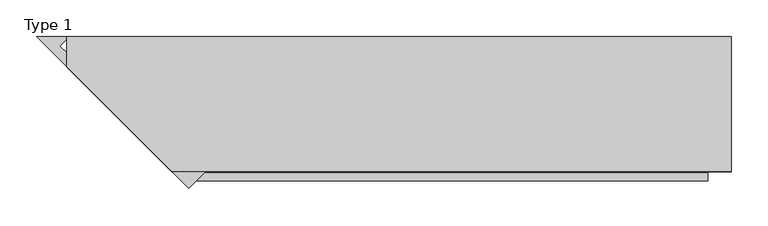
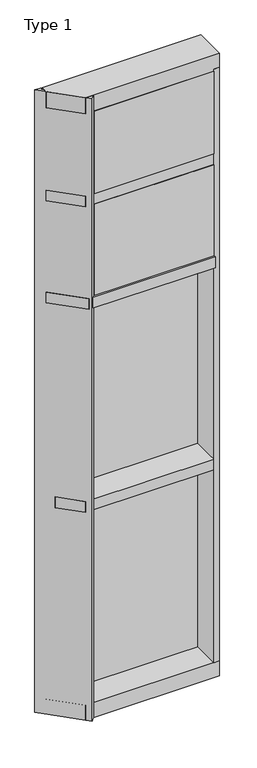
"""IFC4 building model written with IfcOpenShell, lengths in millimetres: plate geometry, Type 1."""

from ifc_helpers import new_model, si_unit, frame, origin, place, context, project, spatial, polyline, outline, extrude, faceted_brep, source, transform, mapped, element, save


def type_1_f7a1c87e(model_context):
    return source(origin(), model_context, "Body", "SolidModel", [
        extrude(outline(polyline([(450.6560049, 27.6881517), (450.6560049, 11.2982336), (437.9570941, 11.2982336), (437.9570941, 27.6881517), (450.6560049, 27.6881517)])), frame((0.0, 0.0, 6.35), z_axis=(0.0, 0.0, 1.0), x_axis=(1.0, 0.0, 0.0)), (0.0, 0.0, 1.0), 1206.5),
        extrude(outline(polyline([(-437.9570941, 27.6881517), (-437.9570941, 11.2982336), (-450.6560049, 11.2982336), (-450.6560049, 27.6881517), (-437.9570941, 27.6881517)])), frame((0.0, 0.0, 6.35), z_axis=(0.0, 0.0, 1.0), x_axis=(1.0, 0.0, 0.0)), (0.0, 0.0, 1.0), 1206.5),
        extrude(outline(polyline([(437.9570941, 27.686), (437.9570941, 2.286), (-437.9570941, 2.286), (-437.9570941, 27.686), (437.9570941, 27.686)])), frame((0.0, 0.0, 6.35), z_axis=(0.0, 0.0, 1.0), x_axis=(1.0, 0.0, 0.0)), (0.0, 0.0, 1.0), 1206.5),
        extrude(outline(polyline([(450.6560049, 27.686), (450.6560049, 6.35), (-450.6560049, 6.35), (-450.6560049, 27.686), (450.6560049, 27.686)])), frame((0.0, 0.0, 1212.85), z_axis=(0.0, 0.0, 1.0), x_axis=(1.0, 0.0, 0.0)), (0.0, 0.0, 1.0), 12.7),
        extrude(outline(polyline([(450.6560049, 27.6881517), (450.6560049, 11.2982336), (437.9570941, 11.2982336), (437.9570941, 27.6881517), (450.6560049, 27.6881517)])), frame((0.0, 0.0, 1225.55), z_axis=(0.0, 0.0, 1.0), x_axis=(1.0, 0.0, 0.0)), (0.0, 0.0, 1.0), 1206.5),
        extrude(outline(polyline([(-437.9570941, 27.6881517), (-437.9570941, 11.2982336), (-450.6560049, 11.2982336), (-450.6560049, 27.6881517), (-437.9570941, 27.6881517)])), frame((0.0, 0.0, 1225.55), z_axis=(0.0, 0.0, 1.0), x_axis=(1.0, 0.0, 0.0)), (0.0, 0.0, 1.0), 1206.5),
        extrude(outline(polyline([(437.9570941, 27.686), (437.9570941, 2.286), (-437.9570941, 2.286), (-437.9570941, 27.686), (437.9570941, 27.686)])), frame((0.0, 0.0, 1225.55), z_axis=(0.0, 0.0, 1.0), x_axis=(1.0, 0.0, 0.0)), (0.0, 0.0, 1.0), 1206.5),
        extrude(outline(polyline([(450.6560049, 27.686), (450.6560049, 6.35), (-450.6560049, 6.35), (-450.6560049, 27.686), (450.6560049, 27.686)])), frame((0.0, 0.0, 2432.05), z_axis=(0.0, 0.0, 1.0), x_axis=(1.0, 0.0, 0.0)), (0.0, 0.0, 1.0), 12.7),
        extrude(outline(polyline([(418.9070941, -48.6409999), (418.9070941, -156.32684), (-262.5791649, -156.32684), (-370.265005, -48.6409999), (418.9070941, -48.6409999)])), frame((0.0, 0.0, 3079.75), z_axis=(0.0, 0.0, 1.0), x_axis=(1.0, 0.0, 0.0)), (0.0, 0.0, 1.0), 495.3984372),
        extrude(outline(polyline([(450.6560049, 27.686), (450.6560049, 6.35), (-450.6560049, 6.35), (-450.6560049, 27.686), (450.6560049, 27.686)])), frame((0.0, 0.0, 3594.1), z_axis=(0.0, 0.0, 1.0), x_axis=(1.0, 0.0, 0.0)), (0.0, 0.0, 1.0), 12.7),
        extrude(outline(polyline([(450.6560049, 27.6881517), (450.6560049, 11.2982336), (437.9570941, 11.2982336), (437.9570941, 27.6881517), (450.6560049, 27.6881517)])), frame((0.0, 0.0, 3054.35), z_axis=(0.0, 0.0, 1.0), x_axis=(1.0, 0.0, 0.0)), (0.0, 0.0, 1.0), 539.75),
        extrude(outline(polyline([(-437.9570941, 27.6881517), (-437.9570941, 11.2982336), (-450.6560049, 11.2982336), (-450.6560049, 27.6881517), (-437.9570941, 27.6881517)])), frame((0.0, 0.0, 3054.35), z_axis=(0.0, 0.0, 1.0), x_axis=(1.0, 0.0, 0.0)), (0.0, 0.0, 1.0), 539.75),
        extrude(outline(polyline([(437.9570941, 27.686), (437.9570941, 2.286), (-437.9570941, 2.286), (-437.9570941, 27.686), (437.9570941, 27.686)])), frame((0.0, 0.0, 3054.35), z_axis=(0.0, 0.0, 1.0), x_axis=(1.0, 0.0, 0.0)), (0.0, 0.0, 1.0), 539.75),
        extrude(outline(polyline([(418.9070941, -48.6409999), (418.9070941, -156.32684), (-262.5791649, -156.32684), (-370.265005, -48.6409999), (418.9070941, -48.6409999)])), frame((0.0, 0.0, 2470.15), z_axis=(0.0, 0.0, 1.0), x_axis=(1.0, 0.0, 0.0)), (0.0, 0.0, 1.0), 546.1993556),
        extrude(outline(polyline([(450.6560049, 27.686), (450.6560049, 6.35), (-450.6560049, 6.35), (-450.6560049, 27.686), (450.6560049, 27.686)])), frame((0.0, 0.0, 3041.65), z_axis=(0.0, 0.0, 1.0), x_axis=(1.0, 0.0, 0.0)), (0.0, 0.0, 1.0), 12.7),
        extrude(outline(polyline([(450.6560049, 27.6881517), (450.6560049, 11.2982336), (437.9570941, 11.2982336), (437.9570941, 27.6881517), (450.6560049, 27.6881517)])), frame((0.0, 0.0, 2444.75), z_axis=(0.0, 0.0, 1.0), x_axis=(1.0, 0.0, 0.0)), (0.0, 0.0, 1.0), 596.9),
        extrude(outline(polyline([(-437.9570941, 27.6881517), (-437.9570941, 11.2982336), (-450.6560049, 11.2982336), (-450.6560049, 27.6881517), (-437.9570941, 27.6881517)])), frame((0.0, 0.0, 2444.75), z_axis=(0.0, 0.0, 1.0), x_axis=(1.0, 0.0, 0.0)), (0.0, 0.0, 1.0), 596.9),
        extrude(outline(polyline([(437.9570941, 27.686), (437.9570941, 2.286), (-437.9570941, 2.286), (-437.9570941, 27.686), (437.9570941, 27.686)])), frame((0.0, 0.0, 2444.75), z_axis=(0.0, 0.0, 1.0), x_axis=(1.0, 0.0, 0.0)), (0.0, 0.0, 1.0), 596.9),
        extrude(outline(polyline([(450.6560049, -155.9814), (418.9060049, -155.9814), (418.9060049, 2.286), (450.6560049, 2.286), (450.6560049, -155.9814)])), frame((0.0, 0.0, 31.75), z_axis=(0.0, 0.0, 1.0), x_axis=(1.0, 0.0, 0.0)), (0.0, 0.0, 1.0), 3556.0),
        faceted_brep([(-450.6560049, 27.686, 3670.3), (-450.6560049, 27.686, 3606.8000642), (-450.6560049, 2.286, 3606.8000642), (-450.6560049, 2.286, 3575.0500939), (-450.6560049, -13.1523698, 3575.0500939), (-450.6560049, -13.1523698, 3670.3), (450.6560049, 27.686, 3670.3), (450.6560049, -155.4734, 3670.3), (450.6560049, -155.4734, 3575.0500939), (450.6560049, 2.286, 3575.0500939), (450.6560049, 2.286, 3606.8000642), (450.6560049, 27.686, 3606.8000642), (-308.3349747, -155.4734, 3575.0500939), (-308.3349747, -155.4734, 3670.3)], [[[0, 1, 2, 3, 4, 5]], [[6, 7, 8, 9, 10, 11]], [[1, 0, 6, 11]], [[2, 1, 11, 10]], [[3, 2, 10, 9]], [[9, 8, 12, 4, 3]], [[8, 7, 13, 12]], [[7, 6, 0, 5, 13]], [[5, 4, 12, 13]]]),
        extrude(outline(polyline([(418.9060049, 2.2859999), (418.9060049, -155.4734), (-308.3349747, -155.4734), (-450.6560049, -13.1523698), (-450.6560049, 2.2859999), (418.9060049, 2.2859999)])), frame((0.0, 0.0, 3016.25), z_axis=(0.0, 0.0, 1.0), x_axis=(1.0, 0.0, 0.0)), (0.0, 0.0, 1.0), 63.5),
        extrude(outline(polyline([(418.9060049, 2.286), (418.9060049, -168.1734), (-295.6349747, -168.1734), (-450.6560049, -13.1523698), (-450.6560049, 2.286), (418.9060049, 2.286)])), frame((0.0, 0.0, 2406.65), z_axis=(0.0, 0.0, 1.0), x_axis=(1.0, 0.0, 0.0)), (0.0, 0.0, 1.0), 63.5),
        extrude(outline(polyline([(418.9060049, 2.2859999), (418.9060049, -155.4734), (-308.3349747, -155.4734), (-418.9060049, -44.9023698), (-418.9060049, 2.2859999), (418.9060049, 2.2859999)])), frame((0.0, 0.0, 1187.45), z_axis=(0.0, 0.0, 1.0), x_axis=(1.0, 0.0, 0.0)), (0.0, 0.0, 1.0), 63.5),
        extrude(outline(polyline([(-285.376578, -178.4317967), (-491.4943747, 27.686), (-450.6482499, 27.686), (-450.6482499, 24.6563669), (-460.2053853, 15.0992315), (-450.2008102, 5.0946564), (-437.9656069, 5.0946564), (-437.9656069, 2.286), (-418.9060049, 2.286), (-418.9060049, -0.0010892), (-262.9259377, -155.9811564), (-285.376578, -178.4317967)])), frame((0.0, 0.0, -57.15), z_axis=(0.0, 0.0, 1.0), x_axis=(1.0, 0.0, 0.0)), (0.0, 0.0, 1.0), 3727.45),
        faceted_brep([(-450.6560049, 2.2859999, 31.75), (-450.6560049, 2.2859999, -6.2983857), (-450.6560049, 27.6858239, -6.2983857), (-450.6560049, 27.6858239, -57.15), (-450.6560049, -13.1523698, -57.15), (-450.6560049, -13.1523698, 31.75), (450.6560049, 2.2859999, 31.75), (450.6560049, -155.6004, 31.75), (450.6560049, -155.6004, -57.15), (450.6560049, 27.6858239, -57.15), (450.6560049, 27.6858239, -6.2983857), (450.6560049, 2.2859999, -6.2983857), (-308.2079747, -155.6004, -57.15), (-308.2079747, -155.6004, 31.75)], [[[0, 1, 2, 3, 4, 5]], [[6, 7, 8, 9, 10, 11]], [[1, 0, 6, 11]], [[2, 1, 11, 10]], [[3, 2, 10, 9]], [[9, 8, 12, 4, 3]], [[8, 7, 13, 12]], [[7, 6, 0, 5, 13]], [[5, 4, 12, 13]]]),
        extrude(outline(polyline([(-450.6560049, 5.0946564), (-450.6560049, 27.6881517), (450.6560049, 27.6881517), (450.6560049, 5.0946564), (-450.6560049, 5.0946564)])), frame((0.0, 0.0, -6.2984797), z_axis=(0.0, 0.0, 1.0), x_axis=(1.0, 0.0, 0.0)), (0.0, 0.0, 1.0), 12.6484797),
    ])


if __name__ == "__main__":
    model = new_model("IFC4")
    model_context = context("Model", 3, world=origin())
    ifc_project = project(units=[si_unit("LENGTHUNIT", "METRE", prefix="MILLI")], contexts=[model_context])
    site = spatial("IfcSite", under=ifc_project)
    building = spatial("IfcBuilding", under=site)
    placement = place(None, origin())
    type_1_shape = type_1_f7a1c87e(model_context)
    element("IfcPlate", 1, ObjectType="Type 1", at=placement, inside=building, context=model_context, shape_type="MappedRepresentation", body=[
        mapped(type_1_shape, transform((0.0, 0.0, 0.0), x_axis=(1.0, 0.0, 0.0), y_axis=(0.0, 1.0, 0.0), z_axis=(0.0, 0.0, 1.0))),
    ])
    save(model, "model.ifc")
